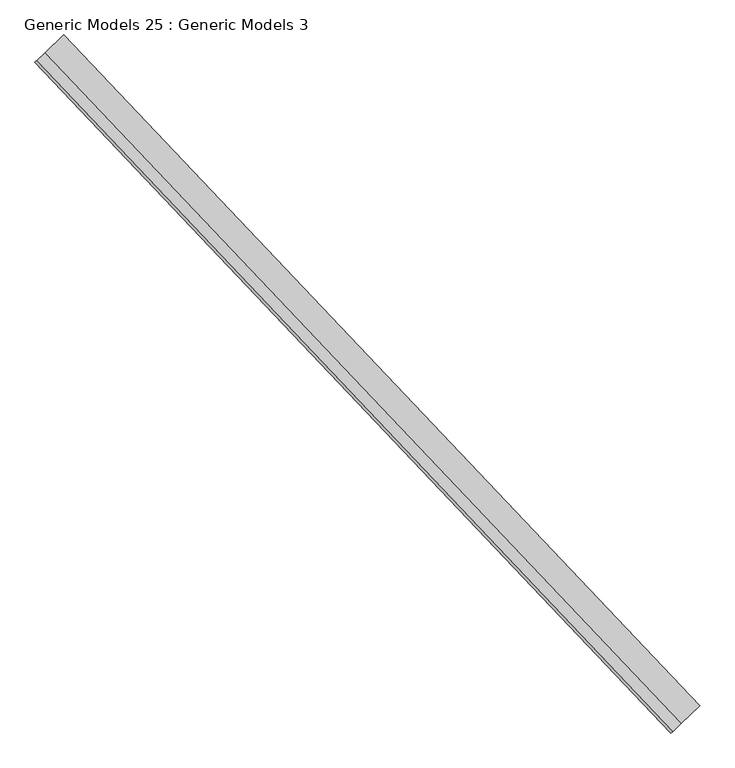
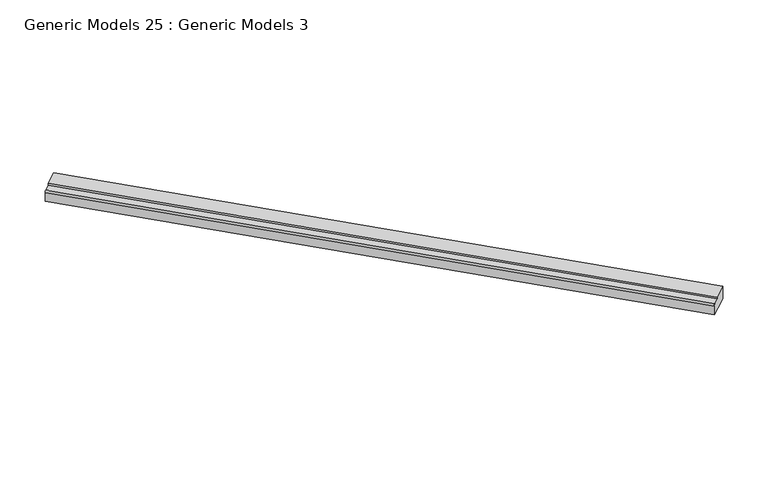
"""IFC4 building model written with IfcOpenShell, lengths in millimetres: proxy geometry, Generic Models 25 : Generic Models 3."""

from ifc_helpers import new_model, si_unit, point, frame, frame_2d, origin, place, context, project, spatial, polyline, circle_curve, trimmed, segment, composite_curve, outline, extrude, source, transform, mapped, element, save


def generic_models_25_generic_models_3_6c6a6e8b(model_context):
    return source(origin(), model_context, "Body", "SweptSolid", [
        extrude(outline(composite_curve([segment(trimmed(circle_curve(frame_2d((155.6724237, -12.7)), 19.0236237), [point((169.8360482, 0.0))], [point((169.8360482, -25.4))], False, "CARTESIAN"), True, "CONTINUOUS"), segment(trimmed(circle_curve(frame_2d((155.6724237, -38.1)), 19.0236237), [point((169.8360482, -25.4))], [point((169.8360482, -50.7999999))], False, "CARTESIAN"), True, "CONTINUOUS"), segment(trimmed(circle_curve(frame_2d((155.6724237, -63.4999999)), 19.0236237), [point((169.8360482, -50.7999999))], [point((169.8360482, -76.1999999))], False, "CARTESIAN"), True, "CONTINUOUS"), segment(trimmed(circle_curve(frame_2d((155.6724237, -88.9)), 19.0236237), [point((169.8360482, -76.1999999))], [point((169.8360482, -101.5999999))], False, "CARTESIAN"), True, "CONTINUOUS"), segment(trimmed(circle_curve(frame_2d((155.6724237, -114.3)), 19.0236237), [point((169.8360482, -101.5999999))], [point((169.8360482, -127.0))], False, "CARTESIAN"), True, "CONTINUOUS"), segment(trimmed(circle_curve(frame_2d((155.6724237, -139.7)), 19.0236237), [point((169.8360482, -127.0))], [point((169.8360482, -152.3999999))], False, "CARTESIAN"), True, "CONTINUOUS"), segment(trimmed(circle_curve(frame_2d((155.6724237, -165.0999999)), 19.0236237), [point((169.8360482, -152.3999999))], [point((169.8360482, -177.7999999))], False, "CARTESIAN"), True, "CONTINUOUS"), segment(trimmed(circle_curve(frame_2d((155.6724237, -190.4999999)), 19.0236237), [point((169.8360482, -177.7999999))], [point((169.8360482, -203.2))], False, "CARTESIAN"), True, "CONTINUOUS"), segment(trimmed(circle_curve(frame_2d((155.6724237, -215.8999999)), 19.0236237), [point((169.8360482, -203.2))], [point((169.8360482, -228.6))], False, "CARTESIAN"), True, "CONTINUOUS"), segment(trimmed(circle_curve(frame_2d((155.6724237, -241.3)), 19.0236237), [point((169.8360482, -228.6))], [point((169.8360482, -254.0))], False, "CARTESIAN"), True, "CONTINUOUS"), segment(trimmed(circle_curve(frame_2d((155.6724237, -266.6999999)), 19.0236237), [point((169.8360482, -254.0))], [point((169.8360482, -279.3999999))], False, "CARTESIAN"), True, "CONTINUOUS"), segment(trimmed(circle_curve(frame_2d((155.6724237, -292.0999999)), 19.0236237), [point((169.8360482, -279.3999999))], [point((169.8360482, -304.8))], False, "CARTESIAN"), True, "CONTINUOUS"), segment(trimmed(circle_curve(frame_2d((155.6724237, -317.4999999)), 19.0236237), [point((169.8360482, -304.8))], [point((169.8360482, -330.1999999))], False, "CARTESIAN"), True, "CONTINUOUS"), segment(trimmed(circle_curve(frame_2d((155.6724237, -342.9)), 19.0236237), [point((169.8360482, -330.1999999))], [point((169.8360482, -355.6))], False, "CARTESIAN"), True, "CONTINUOUS"), segment(trimmed(circle_curve(frame_2d((155.6724237, -368.2999999)), 19.0236237), [point((169.8360482, -355.6))], [point((169.8360482, -380.9999999))], False, "CARTESIAN"), True, "CONTINUOUS"), segment(polyline([(169.8360482, -380.9999999), (-14.5339526, -380.9999999), (-14.5339526, -133.731), (15.9460474, -133.731), (15.9460474, -21.9074999)]), True, "CONTINUOUS"), segment(trimmed(circle_curve(frame_2d((37.8535474, -21.9074999)), 21.9075), [point((15.9460474, -21.9074999))], [point((37.8535474, 0.0))], False, "CARTESIAN"), True, "CONTINUOUS"), segment(polyline([(37.8535474, 0.0), (169.8360482, 0.0)]), True, "CONTINUOUS")], self_intersect=False)), frame((113527.5882026, 53789.0018301, 17079.6660474), z_axis=(-0.6883545756937502, 0.7253743710122912, 0.0), x_axis=(0.0, 0.0, -1.0)), (0.0, 0.0, 1.0), 8832.85),
    ])


if __name__ == "__main__":
    model = new_model("IFC4")
    model_context = context("Model", 3, world=origin())
    ifc_project = project(units=[si_unit("LENGTHUNIT", "METRE", prefix="MILLI")], contexts=[model_context])
    site = spatial("IfcSite", under=ifc_project)
    building = spatial("IfcBuilding", under=site)
    placement = place(None, origin())
    generic_models_25_generic_models_3_shape = generic_models_25_generic_models_3_6c6a6e8b(model_context)
    element("IfcBuildingElementProxy", 1, Name="Generic Models 25 : Generic Models 3", ObjectType="Generic Models 25 : Generic Models 3", at=placement, inside=building, context=model_context, shape_type="MappedRepresentation", body=[
        mapped(generic_models_25_generic_models_3_shape, transform((0.0, 0.0, 0.0), x_axis=(1.0, 0.0, 0.0), y_axis=(0.0, 1.0, 0.0), z_axis=(0.0, 0.0, 1.0))),
    ])
    save(model, "model.ifc")
